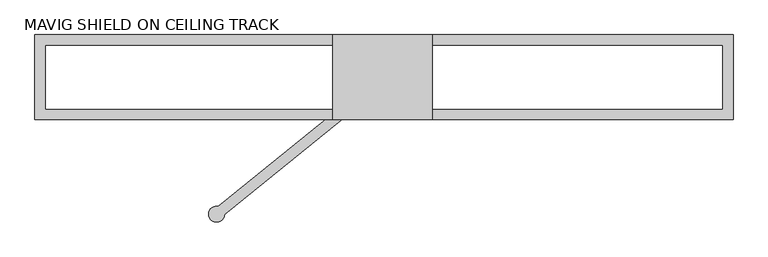
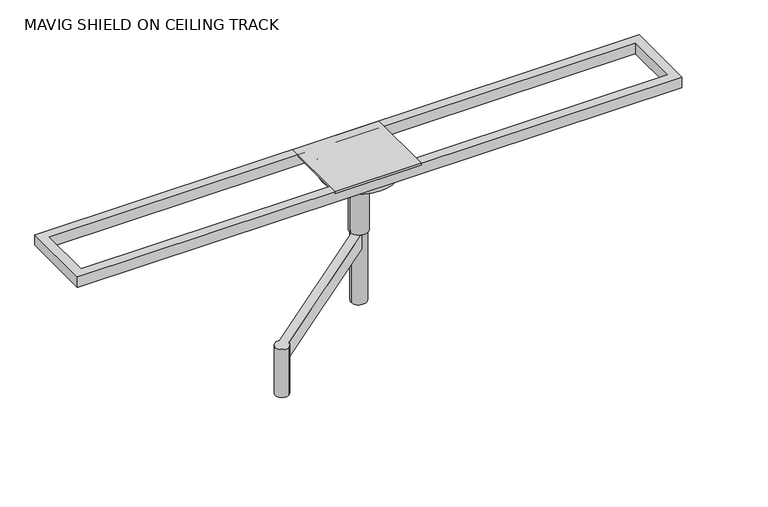
"""IFC4 building model written with IfcOpenShell, lengths in millimetres: proxy geometry, MAVIG SHIELD ON CEILING TRACK."""

from ifc_helpers import new_model, si_unit, point, frame, frame_2d, origin, place, context, project, spatial, polyline, circle_curve, trimmed, segment, composite_curve, outline, extrude, source, transform, mapped, element, save
from ifc_brep_helpers import plane_surface, cylinder_surface, revolved_surface, advanced_brep


def mavig_shield_on_ceiling_track_431d0ca9(model_context):
    return source(origin(), model_context, "Body", "SolidModel", [
        advanced_brep(
        [(78.3495996, -422.624242, 2729.6374648), (55.2213554, -394.0632389, 2729.6374648), (-531.1741252, -868.9169362, 2729.6374648), (-554.5256031, -874.7771815, 2729.6374648), (-518.5562833, -919.1955922, 2729.6374648), (-507.9662266, -897.4134365, 2729.6374648), (55.2213554, -394.0632389, 2663.8736245), (78.3495996, -422.624242, 2663.8736245), (-507.9662266, -897.4134365, 2663.8736245), (-531.1741252, -868.9169362, 2663.8736245), (-518.5562833, -919.1955922, 2520.0874648), (-554.5256031, -874.7771815, 2520.0874648)],
        [
            (0, 1),
            (1, 2),
            (2, 3, circle_curve(frame((-536.5409432, -896.9863869, 2729.6374648), z_axis=(0.0, 0.0, 1.0), x_axis=(-0.6293203910498335, 0.7771459614569741, 0.0)), 28.5779075)),
            (3, 4, circle_curve(frame((-536.5409432, -896.9863869, 2729.6374648), z_axis=(0.0, 0.0, 1.0), x_axis=(-0.6293203910498335, 0.7771459614569741, 0.0)), 28.5779075)),
            (4, 5, circle_curve(frame((-536.5409432, -896.9863869, 2729.6374648), z_axis=(0.0, 0.0, 1.0), x_axis=(-0.6293203910498335, 0.7771459614569741, 0.0)), 28.5779075)),
            (5, 0),
            (6, 7),
            (7, 8),
            (8, 9, circle_curve(frame((-536.5409432, -896.9863869, 2663.8736245), z_axis=(0.0, 0.0, 1.0), x_axis=(-0.6293203910498335, 0.7771459614569741, 0.0)), 28.5779075)),
            (9, 6),
            (7, 0),
            (5, 8),
            (6, 1),
            (9, 2),
            (10, 11, circle_curve(frame((-536.5409432, -896.9863869, 2520.0874648), z_axis=(0.0, 0.0, -1.0), x_axis=(-0.6293203910498335, 0.7771459614569741, 0.0)), 28.5779075)),
            (11, 10, circle_curve(frame((-536.5409432, -896.9863869, 2520.0874648), z_axis=(0.0, 0.0, -1.0), x_axis=(-0.6293203910498335, 0.7771459614569741, 0.0)), 28.5779075)),
            (11, 3),
            (4, 10),
        ],
        [
            plane_surface(frame((78.3495996, -422.624242, 2729.6374648), z_axis=(0.0, 0.0, 1.0), x_axis=(0.7771459614569731, 0.6293203910498347, 0.0))),
            plane_surface(frame((78.3495996, -422.624242, 2663.8736245), z_axis=(0.0, 0.0, -1.0), x_axis=(-0.7771459614569731, -0.6293203910498347, 0.0))),
            plane_surface(frame((-516.698258, -904.4844961, 2729.6374648), z_axis=(0.6293203910498347, -0.7771459614569731, 0.0), x_axis=(0.0, 0.0, -1.0))),
            plane_surface(frame((78.3495996, -422.624242, 2729.6374648), z_axis=(0.7771459614569741, 0.6293203910498334, 0.0), x_axis=(0.0, 0.0, -1.0))),
            plane_surface(frame((55.2213554, -394.0632389, 2729.6374648), z_axis=(-0.6293203910498347, 0.777145961456973, 0.0), x_axis=(0.0, 0.0, -1.0))),
            plane_surface(frame((-554.5256031, -874.7771815, 2520.0874648), z_axis=(0.0, 0.0, -1.0), x_axis=(0.7771459614569741, 0.6293203910498335, 0.0))),
            cylinder_surface(frame((-536.5409432, -896.9863869, 2520.0874648), z_axis=(0.0, 0.0, 1.0), x_axis=(-0.6293203910498335, 0.7771459614569741, 0.0)), 28.5779075),
        ],
        [
            (0, [[1, 2, 3, 4, 5, 6]]),
            (1, [[7, 8, 9, 10]]),
            (2, [[11, -6, 12, -8]]),
            (3, [[-1, -11, -7, 13]]),
            (4, [[-13, -10, 14, -2]]),
            (5, [[15, 16]]),
            (6, [[-16, 17, -3, -14, -9, -12, -5, 18]]),
            (6, [[-4, -17, -15, -18]]),
        ],
    ),
        extrude(outline(composite_curve([segment(trimmed(circle_curve(frame_2d((64.38677, -407.0120309)), 31.75), [point((96.13677, -407.0120309))], [point((32.63677, -407.0120309))], False, "CARTESIAN"), True, "CONTINUOUS"), segment(trimmed(circle_curve(frame_2d((64.38677, -407.0120309)), 31.75), [point((32.63677, -407.0120309))], [point((96.13677, -407.0120309))], False, "CARTESIAN"), True, "CONTINUOUS")], self_intersect=False)), frame((0.0, 0.0, 2420.3291567), z_axis=(0.0, 0.0, 1.0), x_axis=(1.0, 0.0, 0.0)), (0.0, 0.0, 1.0), 309.3083081),
        extrude(outline(composite_curve([segment(trimmed(circle_curve(frame_2d((64.38677, -407.0120309)), 38.1), [point((102.48677, -407.0120309))], [point((26.28677, -407.0120309))], False, "CARTESIAN"), True, "CONTINUOUS"), segment(trimmed(circle_curve(frame_2d((64.38677, -407.0120309)), 38.1), [point((26.28677, -407.0120309))], [point((102.48677, -407.0120309))], False, "CARTESIAN"), True, "CONTINUOUS")], self_intersect=False)), frame((0.0, 0.0, 2729.6374648), z_axis=(0.0, 0.0, 1.0), x_axis=(1.0, 0.0, 0.0)), (0.0, 0.0, 1.0), 274.9283384),
        extrude(outline(polyline([(-119.5550645, -558.1216486), (-119.5550645, -253.3216486), (235.9984135, -253.3216486), (235.9984135, -558.1216486), (-119.5550645, -558.1216486)])), frame((0.0, 0.0, 3042.3776216), z_axis=(0.0, 0.0, 1.0), x_axis=(1.0, 0.0, 0.0)), (0.0, 0.0, 1.0), 7.6223784),
        advanced_brep(
        [(124.6894938, -406.8374194, 2945.4888457), (4.0394938, -406.8374194, 2945.4888457), (-85.8559963, -406.8374194, 2987.4320065), (214.5849838, -406.8374194, 2987.4320065), (64.3644938, -406.8374194, 2945.4888457), (214.5849838, -406.8374194, 3042.1428225), (-85.8559963, -406.8374194, 3042.1428225), (64.3644938, -406.8374194, 3042.1428225)],
        [
            (0, 1, circle_curve(frame((64.3644938, -406.8374194, 2945.4888457), z_axis=(0.0, 0.0, 1.0), x_axis=(-1.0, 0.0, 0.0)), 60.325)),
            (1, 2),
            (2, 3, circle_curve(frame((64.3644938, -406.8374194, 2987.4320065), z_axis=(0.0, 0.0, -1.0), x_axis=(-1.0, 0.0, 0.0)), 150.22049)),
            (3, 0),
            (1, 0, circle_curve(frame((64.3644938, -406.8374194, 2945.4888457), z_axis=(0.0, 0.0, 1.0), x_axis=(-1.0, 0.0, 0.0)), 60.325)),
            (3, 2, circle_curve(frame((64.3644938, -406.8374194, 2987.4320065), z_axis=(0.0, 0.0, -1.0), x_axis=(-1.0, 0.0, 0.0)), 150.22049)),
            (4, 1),
            (0, 4),
            (5, 6, circle_curve(frame((64.3644938, -406.8374194, 3042.1428225), z_axis=(0.0, 0.0, 1.0), x_axis=(-1.0, 0.0, 0.0)), 150.22049)),
            (6, 7),
            (7, 5),
            (6, 5, circle_curve(frame((64.3644938, -406.8374194, 3042.1428225), z_axis=(0.0, 0.0, 1.0), x_axis=(-1.0, 0.0, 0.0)), 150.22049)),
            (2, 6),
            (5, 3),
        ],
        [
            revolved_surface(polyline([(-85.8559963, -406.8374194, 2987.4320065), (4.0394938, -406.8374194, 2945.4888457)]), (64.3644938, -406.8374194, 3042.6664793), (0.0, 0.0, -1.0)),
            plane_surface(frame((64.3644938, -406.8374194, 2945.4888457), z_axis=(0.0, 0.0, -1.0), x_axis=(-1.0, 0.0, 0.0))),
            plane_surface(frame((64.3644938, -406.8374194, 3042.1428225), z_axis=(0.0, 0.0, 1.0), x_axis=(-1.0, 0.0, 0.0))),
            cylinder_surface(frame((64.3644938, -406.8374194, 3042.6664793), z_axis=(0.0, 0.0, -1.0), x_axis=(-1.0, 0.0, 0.0)), 150.22049),
        ],
        [
            (0, [[1, 2, 3, 4]]),
            (0, [[5, -4, 6, -2]]),
            (1, [[7, -1, 8]]),
            (1, [[-8, -5, -7]]),
            (2, [[9, 10, 11]]),
            (2, [[12, -11, -10]]),
            (3, [[-3, 13, -9, 14]]),
            (3, [[-6, -14, -12, -13]]),
        ],
    ),
        extrude(outline(polyline([(-1187.5673536, -558.1216486), (-1187.5673536, -253.3216486), (1314.3326464, -253.3216486), (1314.3326464, -558.1216486), (-1187.5673536, -558.1216486)]), holes=[polyline([(-1149.470426, -520.0216486), (1276.2295741, -520.0216486), (1276.2295741, -291.4216486), (-1149.470426, -291.4216486), (-1149.470426, -520.0216486)])]), frame((0.0, 0.0, 3004.5658033), z_axis=(0.0, 0.0, 1.0), x_axis=(1.0, 0.0, 0.0)), (0.0, 0.0, 1.0), 45.4341967),
    ])


if __name__ == "__main__":
    model = new_model("IFC4")
    model_context = context("Model", 3, world=origin())
    ifc_project = project(units=[si_unit("LENGTHUNIT", "METRE", prefix="MILLI")], contexts=[model_context])
    site = spatial("IfcSite", under=ifc_project)
    building = spatial("IfcBuilding", under=site)
    placement = place(None, origin())
    mavig_shield_on_ceiling_track_shape = mavig_shield_on_ceiling_track_431d0ca9(model_context)
    element("IfcBuildingElementProxy", 1, Name="MAVIG SHIELD ON CEILING TRACK", ObjectType="MAVIG SHIELD ON CEILING TRACK", at=placement, inside=building, context=model_context, shape_type="MappedRepresentation", body=[
        mapped(mavig_shield_on_ceiling_track_shape, transform((0.0, 0.0, 0.0), x_axis=(1.0, 0.0, 0.0), y_axis=(0.0, 1.0, 0.0), z_axis=(0.0, 0.0, 1.0))),
    ])
    save(model, "model.ifc")
